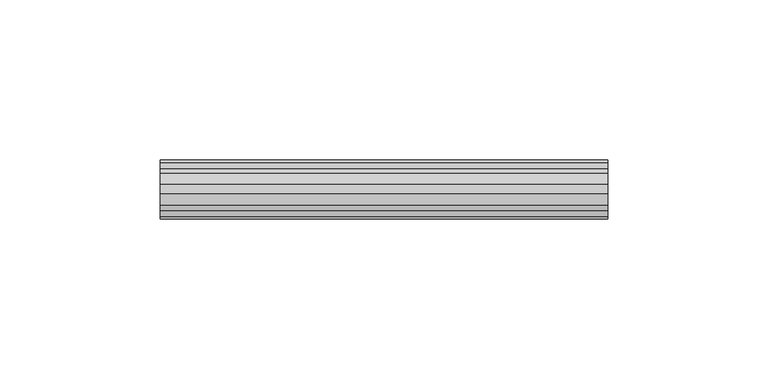
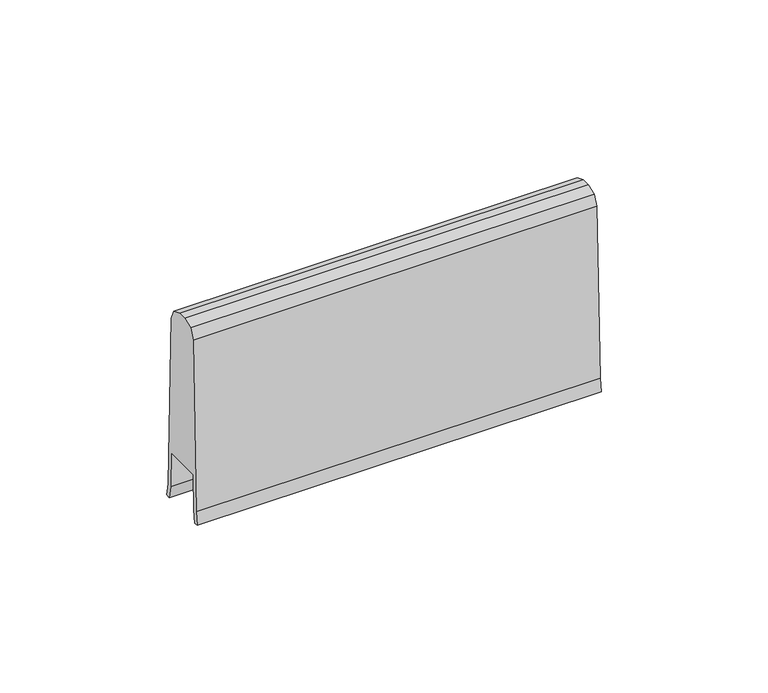
"""IFC4 building model written with IfcOpenShell, lengths in millimetres: furniture geometry."""

from ifc_helpers import new_model, si_unit, frame, origin, place, context, project, spatial, polyline, outline, extrude, source, transform, mapped, element, save


def furniture_13cd3356(model_context):
    return source(origin(), model_context, "Body", "SweptSolid", [
        extrude(outline(polyline([(-34.1030351, 1983.1745888), (-32.3862635, 1921.589249), (-31.4646061, 1917.0172897), (-32.9824072, 1916.8799435), (-33.9095286, 1921.5418682), (-34.1957166, 1934.0352917), (-47.3078092, 1934.0352917), (-47.650648, 1921.4519028), (-48.3183034, 1916.8799435), (-49.8361023, 1917.0172897), (-49.1684469, 1921.589249), (-47.2017337, 1983.1949364), (-45.666712, 1986.6977749), (-42.1235962, 1988.1372219), (-39.1816791, 1988.1372219), (-35.6312939, 1986.6906532), (-34.1030351, 1983.1745888)])), frame((139.700003, 0.0, 0.0), z_axis=(1.0, 0.0, 0.0), x_axis=(0.0, 1.0, 0.0)), (0.0, 0.0, 1.0), 139.700003),
    ])


if __name__ == "__main__":
    model = new_model("IFC4")
    model_context = context("Model", 3, world=origin())
    ifc_project = project(units=[si_unit("LENGTHUNIT", "METRE", prefix="MILLI")], contexts=[model_context])
    site = spatial("IfcSite", under=ifc_project)
    building = spatial("IfcBuilding", under=site)
    placement = place(None, origin())
    furniture_shape = furniture_13cd3356(model_context)
    element("IfcFurniture", 1, at=placement, inside=building, context=model_context, shape_type="MappedRepresentation", body=[
        mapped(furniture_shape, transform((0.0, 0.0, 0.0), x_axis=(1.0, 0.0, 0.0), y_axis=(0.0, 1.0, 0.0), z_axis=(0.0, 0.0, 1.0))),
    ])
    save(model, "model.ifc")
